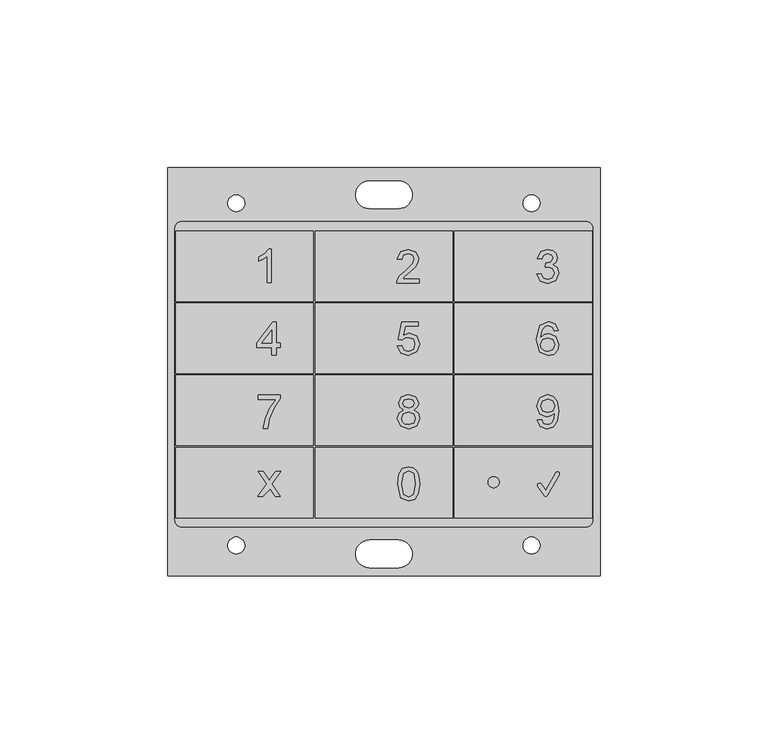
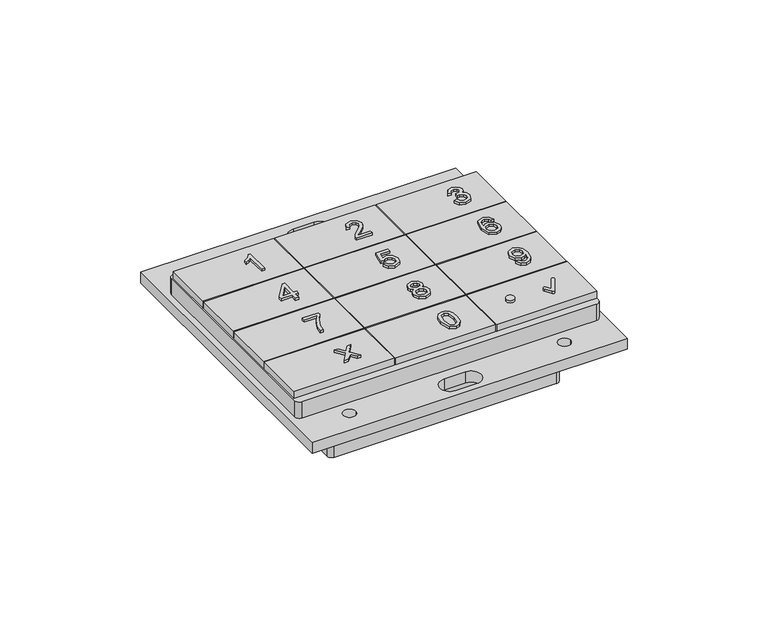
"""IFC4 building model written with IfcOpenShell, lengths in millimetres: proxy geometry."""

from ifc_helpers import new_model, si_unit, point, frame, frame_2d, origin, origin_with_axes, place, context, project, spatial, polyline, circle_curve, trimmed, segment, composite_curve, outline, extrude, source, transform, mapped, element, save


def electrical_fixtures_493d6540(model_context):
    return source(origin(), model_context, "Body", "SweptSolid", [
        extrude(outline(composite_curve([segment(trimmed(circle_curve(frame_2d((45.4828444, 109.4200901)), 2.0), [point((45.4828444, 111.4200901))], [point((47.4828444, 109.4200901))], False, "CARTESIAN"), True, "CONTINUOUS"), segment(polyline([(47.4828444, 109.4200901), (47.4828444, 27.9456078)]), True, "CONTINUOUS"), segment(trimmed(circle_curve(frame_2d((45.4828444, 27.9456078)), 2.0), [point((47.4828444, 27.9456078))], [point((45.4828444, 25.9456078))], False, "CARTESIAN"), True, "CONTINUOUS"), segment(polyline([(45.4828444, 25.9456078), (-45.4828444, 25.9456078)]), True, "CONTINUOUS"), segment(trimmed(circle_curve(frame_2d((-45.4828444, 27.9456078)), 2.0), [point((-45.4828444, 25.9456078))], [point((-47.4828444, 27.9456078))], False, "CARTESIAN"), True, "CONTINUOUS"), segment(polyline([(-47.4828444, 27.9456078), (-47.4828444, 109.4200901)]), True, "CONTINUOUS"), segment(trimmed(circle_curve(frame_2d((-45.4828444, 109.4200901)), 2.0), [point((-47.4828444, 109.4200901))], [point((-45.4828444, 111.4200901))], False, "CARTESIAN"), True, "CONTINUOUS"), segment(polyline([(-45.4828444, 111.4200901), (45.4828444, 111.4200901)]), True, "CONTINUOUS")], self_intersect=False)), frame((0.0, 0.0, -18.8), z_axis=(0.0, 0.0, 1.0), x_axis=(1.0, 0.0, 0.0)), (0.0, 0.0, 1.0), 18.8),
        extrude(outline(polyline([(64.4281495, 130.2808458), (64.4281495, 8.6200308), (-64.3841881, 8.6200308), (-64.3841881, 130.2808458), (64.4281495, 130.2808458)]), holes=[composite_curve([segment(polyline([(4.35, 126.3041857), (-4.35, 126.3041857)]), True, "CONTINUOUS"), segment(trimmed(circle_curve(frame_2d((-4.35, 122.1956078)), 4.1085778), [point((-4.35, 126.3041857))], [point((-4.35, 118.08703))], True, "CARTESIAN"), True, "CONTINUOUS"), segment(polyline([(-4.35, 118.08703), (4.35, 118.08703)]), True, "CONTINUOUS"), segment(trimmed(circle_curve(frame_2d((4.35, 122.1956078)), 4.1085778), [point((4.35, 118.08703))], [point((4.35, 126.3041857))], True, "CARTESIAN"), True, "CONTINUOUS")], self_intersect=False), composite_curve([segment(trimmed(circle_curve(frame_2d((-43.9975195, 119.6769064)), 2.5148577), [point((-46.5123772, 119.6769064))], [point((-41.4826618, 119.6769064))], True, "CARTESIAN"), True, "CONTINUOUS"), segment(trimmed(circle_curve(frame_2d((-43.9975195, 119.6769064)), 2.5148577), [point((-41.4826618, 119.6769064))], [point((-46.5123772, 119.6769064))], True, "CARTESIAN"), True, "CONTINUOUS")], self_intersect=False), composite_curve([segment(trimmed(circle_curve(frame_2d((43.9975195, 119.6769064)), 2.5148577), [point((46.5123772, 119.6769064))], [point((41.4826618, 119.6769064))], True, "CARTESIAN"), True, "CONTINUOUS"), segment(trimmed(circle_curve(frame_2d((43.9975195, 119.6769064)), 2.5148577), [point((41.4826618, 119.6769064))], [point((46.5123772, 119.6769064))], True, "CARTESIAN"), True, "CONTINUOUS")], self_intersect=False), composite_curve([segment(trimmed(circle_curve(frame_2d((4.35, 15.1427687)), 4.1085778), [point((4.35, 11.0341909))], [point((4.35, 19.2513465))], True, "CARTESIAN"), True, "CONTINUOUS"), segment(polyline([(4.35, 19.2513465), (-4.35, 19.2513465)]), True, "CONTINUOUS"), segment(trimmed(circle_curve(frame_2d((-4.35, 15.1427687)), 4.1085778), [point((-4.35, 19.2513465))], [point((-4.35, 11.0341909))], True, "CARTESIAN"), True, "CONTINUOUS"), segment(polyline([(-4.35, 11.0341909), (4.35, 11.0341909)]), True, "CONTINUOUS")], self_intersect=False), composite_curve([segment(trimmed(circle_curve(frame_2d((-43.9975195, 17.6614702)), 2.5148577), [point((-46.5123772, 17.6614702))], [point((-41.4826618, 17.6614702))], True, "CARTESIAN"), True, "CONTINUOUS"), segment(trimmed(circle_curve(frame_2d((-43.9975195, 17.6614702)), 2.5148577), [point((-41.4826618, 17.6614702))], [point((-46.5123772, 17.6614702))], True, "CARTESIAN"), True, "CONTINUOUS")], self_intersect=False), composite_curve([segment(trimmed(circle_curve(frame_2d((43.9975195, 17.6614702)), 2.5148577), [point((46.5123772, 17.6614702))], [point((41.4826618, 17.6614702))], True, "CARTESIAN"), True, "CONTINUOUS"), segment(trimmed(circle_curve(frame_2d((43.9975195, 17.6614702)), 2.5148577), [point((41.4826618, 17.6614702))], [point((46.5123772, 17.6614702))], True, "CARTESIAN"), True, "CONTINUOUS")], self_intersect=False)]), origin_with_axes(), (0.0, 0.0, 1.0), 4.7),
        extrude(outline(composite_curve([segment(trimmed(circle_curve(frame_2d((60.25, 112.1956078)), 2.0), [point((60.25, 114.1956078))], [point((62.25, 112.1956078))], False, "CARTESIAN"), True, "CONTINUOUS"), segment(polyline([(62.25, 112.1956078), (62.25, 25.1956078)]), True, "CONTINUOUS"), segment(trimmed(circle_curve(frame_2d((60.25, 25.1956078)), 2.0), [point((62.25, 25.1956078))], [point((60.25, 23.1956078))], False, "CARTESIAN"), True, "CONTINUOUS"), segment(polyline([(60.25, 23.1956078), (-60.25, 23.1956078)]), True, "CONTINUOUS"), segment(trimmed(circle_curve(frame_2d((-60.25, 25.1956078)), 2.0), [point((-60.25, 23.1956078))], [point((-62.25, 25.1956078))], False, "CARTESIAN"), True, "CONTINUOUS"), segment(polyline([(-62.25, 25.1956078), (-62.25, 112.1956078)]), True, "CONTINUOUS"), segment(trimmed(circle_curve(frame_2d((-60.25, 112.1956078)), 2.0), [point((-62.25, 112.1956078))], [point((-60.25, 114.1956078))], False, "CARTESIAN"), True, "CONTINUOUS"), segment(polyline([(-60.25, 114.1956078), (60.25, 114.1956078)]), True, "CONTINUOUS")], self_intersect=False)), frame((0.0, 0.0, 4.7), z_axis=(0.0, 0.0, 1.0), x_axis=(1.0, 0.0, 0.0)), (0.0, 0.0, 1.0), 7.4488395),
        extrude(outline(composite_curve([segment(trimmed(circle_curve(frame_2d((32.683237, 36.4905327)), 1.6727934), [point((31.0104435, 36.4905327))], [point((34.3560304, 36.4905327))], False, "CARTESIAN"), True, "CONTINUOUS"), segment(trimmed(circle_curve(frame_2d((32.683237, 36.4905327)), 1.6727934), [point((34.3560304, 36.4905327))], [point((31.0104435, 36.4905327))], False, "CARTESIAN"), True, "CONTINUOUS")], self_intersect=False)), frame((0.0, 0.0, 15.5), z_axis=(0.0, 0.0, 1.0), x_axis=(1.0, 0.0, 0.0)), (0.0, 0.0, 1.0), 1.0),
        extrude(outline(composite_curve([segment(polyline([(47.7085088, 32.601462), (45.8526546, 35.2518964)]), True, "CONTINUOUS"), segment(trimmed(circle_curve(frame_2d((46.3441459, 35.5960422)), 0.6), [point((45.8526546, 35.2518964))], [point((46.8356371, 35.9401881))], False, "CARTESIAN"), True, "CONTINUOUS"), segment(polyline([(46.8356371, 35.9401881), (48.1512904, 34.0612404), (51.1803848, 39.3077857)]), True, "CONTINUOUS"), segment(trimmed(circle_curve(frame_2d((51.7, 39.0077857)), 0.6), [point((51.1803848, 39.3077857))], [point((52.2196152, 38.7077857))], False, "CARTESIAN"), True, "CONTINUOUS"), segment(polyline([(52.2196152, 38.7077857), (48.6941276, 32.601462)]), True, "CONTINUOUS"), segment(trimmed(circle_curve(frame_2d((48.2013182, 32.8859856)), 0.5690473), [point((48.6941276, 32.601462))], [point((47.7085088, 32.601462))], False, "CARTESIAN"), True, "CONTINUOUS")], self_intersect=False)), frame((0.0, 0.0, 15.5), z_axis=(0.0, 0.0, 1.0), x_axis=(1.0, 0.0, 0.0)), (0.0, 0.0, 1.0), 1.0),
        extrude(outline(polyline([(4.0448559, 36.0113871), (4.4139642, 38.9017133), (5.5102525, 40.5682188), (7.3410786, 41.1151367), (8.8077015, 40.7914005), (9.8206032, 39.8582065), (10.4092144, 38.3719632), (10.6373013, 36.0113871), (10.2718718, 33.1333236), (9.1792623, 31.4631394), (7.3410786, 30.9125427), (5.0454949, 31.8690358), (4.0448559, 36.0113871)]), holes=[polyline([(5.3005598, 36.0138397), (5.889171, 32.8954266), (7.3410786, 32.1682465), (8.7929862, 32.8978792), (9.3815974, 36.0138397), (8.8126066, 39.0966908), (7.3263633, 39.8594328), (5.9087913, 39.187435), (5.3005598, 36.0138397)])]), frame((0.0, 0.0, 15.5), z_axis=(0.0, 0.0, 1.0), x_axis=(1.0, 0.0, 0.0)), (0.0, 0.0, 1.0), 1.0),
        extrude(outline(polyline([(-37.6209922, 32.3195056), (-34.9379062, 36.0277562), (-37.4640292, 39.6967659), (-35.9532605, 39.6967659), (-34.7343448, 37.9309323), (-34.165354, 37.0970665), (-33.6723921, 37.7788745), (-32.2842507, 39.6967659), (-30.773482, 39.6967659), (-33.4271375, 36.0277562), (-30.8715839, 32.3195056), (-32.3823526, 32.3195056), (-33.9200993, 34.5488705), (-36.1102235, 32.3195056), (-37.6209922, 32.3195056)])), frame((0.0, 0.0, 15.5), z_axis=(0.0, 0.0, 1.0), x_axis=(1.0, 0.0, 0.0)), (0.0, 0.0, 1.0), 1.0),
        extrude(outline(polyline([(45.6943597, 55.0809134), (46.9500636, 55.2378764), (47.5141493, 54.0398074), (48.5834597, 53.6682465), (49.6000402, 53.9073698), (50.2892058, 54.5462582), (50.7000074, 55.6376415), (50.8814959, 57.0944542), (49.8698204, 56.3881208), (48.4927154, 56.0226913), (46.3945618, 56.9154183), (45.5373967, 59.2674105), (46.4362551, 61.6954317), (48.6889192, 62.6151367), (50.4780519, 62.0902917), (51.7092303, 60.5942382), (52.1298421, 57.7836198), (51.7104566, 54.733878), (50.4633367, 53.0060589), (48.5245985, 52.4125427), (46.5944443, 53.1127447), (45.6943597, 55.0809134)]), holes=[polyline([(50.8741382, 59.2968411), (50.3321254, 60.8027047), (48.8924805, 61.3594328), (47.3817118, 60.7597851), (46.7931006, 59.2060968), (47.3498287, 57.8142766), (48.8581449, 57.2783952), (50.3063737, 57.8142766), (50.8741382, 59.2968411)])]), frame((0.0, 0.0, 15.5), z_axis=(0.0, 0.0, 1.0), x_axis=(1.0, 0.0, 0.0)), (0.0, 0.0, 1.0), 1.0),
        extrude(outline(polyline([(5.8669965, 58.1024509), (4.7228835, 58.8823607), (4.3513227, 60.0963713), (5.1606631, 61.8891829), (7.3164516, 62.6151367), (9.4918605, 61.872015), (10.3159161, 60.0620356), (9.9492604, 58.8786819), (8.8370305, 58.1024509), (10.1724421, 57.1177534), (10.6298421, 55.4929412), (9.7223998, 53.3003645), (7.3336194, 52.4125427), (4.944839, 53.3040434), (4.0373967, 55.5272769), (4.5131908, 57.1901035), (5.8669965, 58.1024509)]), holes=[polyline([(5.6070266, 60.0595831), (6.0521638, 59.0736593), (7.3483347, 58.691062), (8.6187539, 59.0712068), (9.0602122, 60.0031745), (8.6040386, 60.9682516), (7.3336194, 61.3594328), (6.0595214, 60.9768355), (5.6070266, 60.0595831)]), polyline([(5.2931006, 55.5714227), (5.5027934, 54.625966), (6.2446887, 53.9184063), (7.3434296, 53.6682465), (8.8394831, 54.1943178), (9.3741382, 55.532182), (8.8223152, 56.8957979), (7.3017363, 57.4353582), (5.824077, 56.9031555), (5.2931006, 55.5714227)])]), frame((0.0, 0.0, 15.5), z_axis=(0.0, 0.0, 1.0), x_axis=(1.0, 0.0, 0.0)), (0.0, 0.0, 1.0), 1.0),
        extrude(outline(polyline([(-37.4626033, 61.2024698), (-37.4626033, 62.4581737), (-30.8701579, 62.4581737), (-30.8701579, 61.4428194), (-32.7402247, 58.7413393), (-34.1712857, 55.29919), (-34.6372695, 52.5695056), (-35.8929734, 52.5695056), (-35.3938802, 55.402197), (-34.0241329, 58.6039966), (-32.1258618, 61.2024698), (-37.4626033, 61.2024698)])), frame((0.0, 0.0, 15.5), z_axis=(0.0, 0.0, 1.0), x_axis=(1.0, 0.0, 0.0)), (0.0, 0.0, 1.0), 1.0),
        extrude(outline(polyline([(51.9728791, 81.7592659), (50.7171752, 81.6023029), (50.2413812, 82.6495403), (48.9832248, 83.1719328), (47.8501482, 82.867817), (46.9929832, 81.7261565), (46.6361376, 79.4882077), (47.7434624, 80.490073), (49.1156623, 80.817488), (51.2493779, 79.9223085), (52.1298421, 77.609557), (51.7153617, 75.8768328), (50.5749275, 74.6505595), (48.9292687, 74.2250427), (46.3700363, 75.3532141), (45.3804338, 79.0712748), (46.4791746, 83.2822974), (49.0617063, 84.4276367), (51.0458165, 83.7188507), (51.9728791, 81.7592659)]), holes=[polyline([(46.6361376, 77.6291774), (46.9267644, 76.541473), (47.6993166, 75.7517529), (48.8311669, 75.4807465), (50.3112788, 76.0423797), (50.8741382, 77.5678637), (50.3186364, 79.0283552), (48.7796634, 79.5617841), (47.2603108, 79.0283552), (46.6361376, 77.6291774)])]), frame((0.0, 0.0, 15.5), z_axis=(0.0, 0.0, 1.0), x_axis=(1.0, 0.0, 0.0)), (0.0, 0.0, 1.0), 1.0),
        extrude(outline(polyline([(-33.3815657, 74.3820056), (-33.3815657, 76.7364504), (-37.9334922, 76.7364504), (-37.9334922, 77.9921543), (-33.0676397, 84.2706737), (-32.1258618, 84.2706737), (-32.1258618, 77.9921543), (-30.8701579, 77.9921543), (-30.8701579, 76.7364504), (-32.1258618, 76.7364504), (-32.1258618, 74.3820056), (-33.3815657, 74.3820056)]), holes=[polyline([(-33.3815657, 77.9921543), (-33.3815657, 81.8720831), (-36.3883878, 77.9921543), (-33.3815657, 77.9921543)])]), frame((0.0, 0.0, 15.5), z_axis=(0.0, 0.0, 1.0), x_axis=(1.0, 0.0, 0.0)), (0.0, 0.0, 1.0), 1.0),
        extrude(outline(polyline([(4.0373967, 77.0503764), (5.2931006, 77.2073394), (5.9258576, 75.913621), (7.2379701, 75.4807465), (8.812505, 76.0828467), (9.3741382, 77.6806809), (8.848067, 79.1718292), (7.2575905, 79.7187471), (6.1551708, 79.5004705), (5.4500636, 78.9339322), (4.1943597, 79.0908952), (5.2931006, 84.2706737), (10.1589531, 84.2706737), (10.1589531, 83.0149698), (6.3084549, 83.0149698), (5.7713472, 80.2484972), (7.6083046, 80.974451), (9.7555092, 80.0743664), (10.6298421, 77.7591624), (9.8425746, 75.4292431), (7.233065, 74.2250427), (5.0171891, 74.9988211), (4.0373967, 77.0503764)])), frame((0.0, 0.0, 15.5), z_axis=(0.0, 0.0, 1.0), x_axis=(1.0, 0.0, 0.0)), (0.0, 0.0, 1.0), 1.0),
        extrude(outline(polyline([(45.5373967, 98.5503764), (46.7931006, 98.7073394), (47.485945, 97.3854167), (48.7821159, 96.9807465), (50.3075999, 97.5374746), (50.8741382, 98.9158058), (50.312505, 100.2144293), (48.8851229, 100.7282378), (48.0046587, 100.5908952), (48.1444538, 101.8465991), (49.7704922, 102.1924081), (50.4032493, 103.3009592), (49.944623, 104.2832041), (48.7624956, 104.6719328), (47.5656528, 104.2795253), (46.9500636, 103.1023029), (45.6943597, 103.2592659), (46.7219768, 105.2286609), (48.7183497, 105.9276367), (50.2327973, 105.5830539), (51.2922974, 104.6412759), (51.6589531, 103.3745356), (51.3106915, 102.2169336), (50.2806219, 101.3855203), (51.649143, 100.527129), (52.1298421, 98.8937329), (51.1684438, 96.6472002), (48.7379701, 95.7250427), (46.5355832, 96.5123101), (45.5373967, 98.5503764)])), frame((0.0, 0.0, 15.5), z_axis=(0.0, 0.0, 1.0), x_axis=(1.0, 0.0, 0.0)), (0.0, 0.0, 1.0), 1.0),
        extrude(outline(polyline([(10.4728791, 97.1377095), (10.4728791, 95.8820056), (3.8804338, 95.8820056), (4.0153238, 96.7477546), (4.7780658, 98.0807137), (6.3501482, 99.5363001), (8.5181994, 101.6283224), (9.0602122, 103.0507995), (8.5488563, 104.2022701), (7.2134446, 104.6719328), (5.8216244, 104.2133066), (5.2931006, 102.94534), (4.0373967, 103.1023029), (5.0000213, 105.2041354), (7.2404226, 105.9276367), (9.4881816, 105.1232014), (10.3159161, 103.1268284), (10.0927344, 101.936117), (9.350839, 100.7049386), (7.5518961, 98.9844771), (6.1073461, 97.7765979), (5.5408078, 97.1377095), (10.4728791, 97.1377095)])), frame((0.0, 0.0, 15.5), z_axis=(0.0, 0.0, 1.0), x_axis=(1.0, 0.0, 0.0)), (0.0, 0.0, 1.0), 1.0),
        extrude(outline(polyline([(-33.5349637, 96.0382556), (-34.7906676, 96.0382556), (-34.7906676, 103.8667845), (-35.9801527, 103.0194296), (-37.3020754, 102.3854463), (-37.3020754, 103.5724789), (-35.4614391, 104.7472487), (-34.3443041, 106.0838867), (-33.5349637, 106.0838867), (-33.5349637, 96.0382556)])), frame((0.0, 0.0, 15.5), z_axis=(0.0, 0.0, 1.0), x_axis=(1.0, 0.0, 0.0)), (0.0, 0.0, 1.0), 1.0),
        extrude(outline(polyline([(-62.0, 111.4456078), (-21.0, 111.4456078), (-21.0, 90.4456078), (-62.0, 90.4456078), (-62.0, 111.4456078)])), frame((0.0, 0.0, 12.1488395), z_axis=(0.0, 0.0, 1.0), x_axis=(1.0, 0.0, 0.0)), (0.0, 0.0, 1.0), 3.3511605),
        extrude(outline(polyline([(-20.5, 111.4456078), (20.5, 111.4456078), (20.5, 90.4456078), (-20.5, 90.4456078), (-20.5, 111.4456078)])), frame((0.0, 0.0, 12.1488395), z_axis=(0.0, 0.0, 1.0), x_axis=(1.0, 0.0, 0.0)), (0.0, 0.0, 1.0), 3.3511605),
        extrude(outline(polyline([(21.0, 111.4456078), (62.0, 111.4456078), (62.0, 90.4456078), (21.0, 90.4456078), (21.0, 111.4456078)])), frame((0.0, 0.0, 12.1488395), z_axis=(0.0, 0.0, 1.0), x_axis=(1.0, 0.0, 0.0)), (0.0, 0.0, 1.0), 3.3511605),
        extrude(outline(polyline([(-62.0, 89.9456078), (-21.0, 89.9456078), (-21.0, 68.9456078), (-62.0, 68.9456078), (-62.0, 89.9456078)])), frame((0.0, 0.0, 12.1488395), z_axis=(0.0, 0.0, 1.0), x_axis=(1.0, 0.0, 0.0)), (0.0, 0.0, 1.0), 3.3511605),
        extrude(outline(polyline([(-20.5, 89.9456078), (20.5, 89.9456078), (20.5, 68.9456078), (-20.5, 68.9456078), (-20.5, 89.9456078)])), frame((0.0, 0.0, 12.1488395), z_axis=(0.0, 0.0, 1.0), x_axis=(1.0, 0.0, 0.0)), (0.0, 0.0, 1.0), 3.3511605),
        extrude(outline(polyline([(21.0, 89.9456078), (62.0, 89.9456078), (62.0, 68.9456078), (21.0, 68.9456078), (21.0, 89.9456078)])), frame((0.0, 0.0, 12.1488395), z_axis=(0.0, 0.0, 1.0), x_axis=(1.0, 0.0, 0.0)), (0.0, 0.0, 1.0), 3.3511605),
        extrude(outline(polyline([(-62.0, 68.4456078), (-21.0, 68.4456078), (-21.0, 47.4456078), (-62.0, 47.4456078), (-62.0, 68.4456078)])), frame((0.0, 0.0, 12.1488395), z_axis=(0.0, 0.0, 1.0), x_axis=(1.0, 0.0, 0.0)), (0.0, 0.0, 1.0), 3.3511605),
        extrude(outline(polyline([(-20.5, 68.4456078), (20.5, 68.4456078), (20.5, 47.4456078), (-20.5, 47.4456078), (-20.5, 68.4456078)])), frame((0.0, 0.0, 12.1488395), z_axis=(0.0, 0.0, 1.0), x_axis=(1.0, 0.0, 0.0)), (0.0, 0.0, 1.0), 3.3511605),
        extrude(outline(polyline([(21.0, 68.4456078), (62.0, 68.4456078), (62.0, 47.4456078), (21.0, 47.4456078), (21.0, 68.4456078)])), frame((0.0, 0.0, 12.1488395), z_axis=(0.0, 0.0, 1.0), x_axis=(1.0, 0.0, 0.0)), (0.0, 0.0, 1.0), 3.3511605),
        extrude(outline(polyline([(-62.0, 46.9456078), (-21.0, 46.9456078), (-21.0, 25.9456078), (-62.0, 25.9456078), (-62.0, 46.9456078)])), frame((0.0, 0.0, 12.1488395), z_axis=(0.0, 0.0, 1.0), x_axis=(1.0, 0.0, 0.0)), (0.0, 0.0, 1.0), 3.3511605),
        extrude(outline(polyline([(-20.5, 46.9456078), (20.5, 46.9456078), (20.5, 25.9456078), (-20.5, 25.9456078), (-20.5, 46.9456078)])), frame((0.0, 0.0, 12.1488395), z_axis=(0.0, 0.0, 1.0), x_axis=(1.0, 0.0, 0.0)), (0.0, 0.0, 1.0), 3.3511605),
        extrude(outline(polyline([(21.0, 46.9456078), (62.0, 46.9456078), (62.0, 25.9456078), (21.0, 25.9456078), (21.0, 46.9456078)])), frame((0.0, 0.0, 12.1488395), z_axis=(0.0, 0.0, 1.0), x_axis=(1.0, 0.0, 0.0)), (0.0, 0.0, 1.0), 3.3511605),
    ])


if __name__ == "__main__":
    model = new_model("IFC4")
    model_context = context("Model", 3, world=origin())
    ifc_project = project(units=[si_unit("LENGTHUNIT", "METRE", prefix="MILLI")], contexts=[model_context])
    site = spatial("IfcSite", under=ifc_project)
    building = spatial("IfcBuilding", under=site)
    placement = place(None, origin())
    electrical_fixtures_shape = electrical_fixtures_493d6540(model_context)
    element("IfcBuildingElementProxy", 1, Name="Electrical Fixtures", at=placement, inside=building, context=model_context, shape_type="MappedRepresentation", body=[
        mapped(electrical_fixtures_shape, transform((0.0, 0.0, 0.0), x_axis=(1.0, 0.0, 0.0), y_axis=(0.0, 1.0, 0.0), z_axis=(0.0, 0.0, 1.0))),
    ])
    save(model, "model.ifc")
